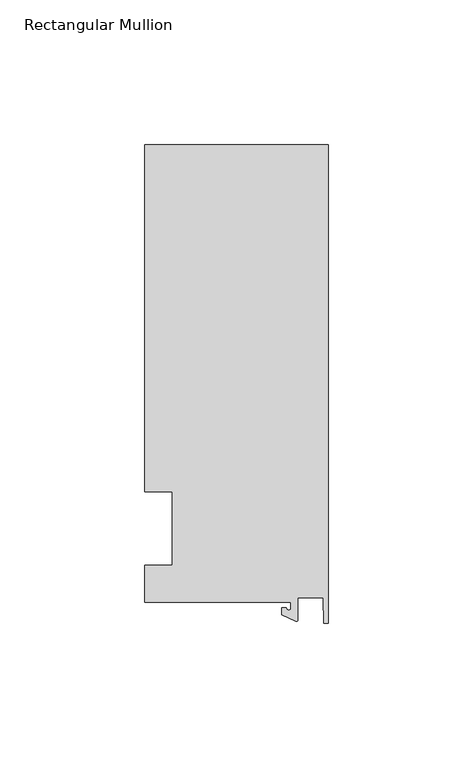
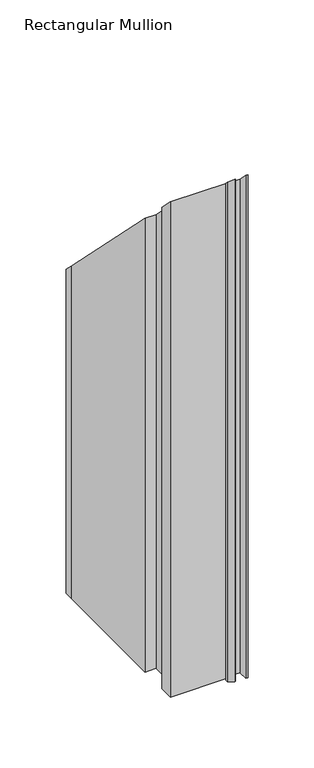
"""IFC4 building model written with IfcOpenShell, lengths in millimetres: member geometry, Rectangular Mullion."""

import ifcopenshell
import ifcopenshell.guid

model = None  # the IFC model being written
_history = None  # IfcOwnerHistory: only IFC2X3 demands one
_inside = {}  # id of a spatial element -> (the spatial element, [elements in it])
_under = {}  # id of a project, library or spatial element -> (it, [spatial elements below it])
_declared = {}  # id of a project -> (the project, [libraries it declares])
_typed = {}  # id of a type object -> (the type object, [elements of that type])
_made_of = {}  # id of a material, layer set ... -> (it, [elements and type objects made of it])


def new_model(schema):
    """Start an empty IFC model of exactly this schema.

    Asked for "IFC4X3", IfcOpenShell would pick the latest addendum, in which some entities
    have other attributes; the version numbers below select the first issue.
    IFC2X3 requires an IfcOwnerHistory on every rooted entity: one is made here for all.
    """
    global model, _history
    if schema == "IFC4X3":
        model = ifcopenshell.file(schema_version=(4, 3, 0, 0))
    else:
        model = ifcopenshell.file(schema=schema)
    _inside.clear()
    _under.clear()
    _declared.clear()
    _typed.clear()
    _made_of.clear()
    _history = None
    if model.schema == "IFC2X3":
        org = make("IfcOrganization", Name="unknown")
        user = make(
            "IfcPersonAndOrganization",
            ThePerson=make("IfcPerson", FamilyName="unknown"),
            TheOrganization=org,
        )
        app = make(
            "IfcApplication",
            ApplicationDeveloper=org,
            Version="unknown",
            ApplicationFullName="unknown",
            ApplicationIdentifier="unknown",
        )
        _history = make(
            "IfcOwnerHistory",
            OwningUser=user,
            OwningApplication=app,
            ChangeAction="ADDED",
            CreationDate=0,
        )
    return model


def make(cls, **values):
    """One entity of the class cls with the attributes given. An attribute that is None is left unset."""
    return model.create_entity(
        cls, **{name: value for name, value in values.items() if value is not None}
    )


def rooted(cls, **values):
    """An entity with a GlobalId (a new one), such as an element, a storey or a relation."""
    return make(cls, GlobalId=ifcopenshell.guid.new(), OwnerHistory=_history, **values)


def si_unit(unit_type, name, prefix=None):
    """IfcSIUnit, for example si_unit("LENGTHUNIT", "METRE", prefix="MILLI")."""
    return make("IfcSIUnit", UnitType=unit_type, Prefix=prefix, Name=name)


def assignment(units):
    """IfcUnitAssignment: the units of a project."""
    return None if units is None else make("IfcUnitAssignment", Units=units)


def point(xyz):
    """IfcCartesianPoint."""
    return None if xyz is None else make("IfcCartesianPoint", Coordinates=xyz)


def direction(xyz):
    """IfcDirection."""
    return None if xyz is None else make("IfcDirection", DirectionRatios=xyz)


def frame(location, z_axis=None, x_axis=None):
    """IfcAxis2Placement3D, a coordinate frame: its origin and axes. An axis left out is left unset."""
    return make(
        "IfcAxis2Placement3D",
        Location=point(location),
        Axis=direction(z_axis),
        RefDirection=direction(x_axis),
    )


def origin():
    """The frame at (0, 0, 0) with its axes left unset."""
    return frame((0.0, 0.0, 0.0))


def place(relative_to, where):
    """IfcLocalPlacement: puts the frame where relative to a parent placement (None: the world)."""
    return make(
        "IfcLocalPlacement", PlacementRelTo=relative_to, RelativePlacement=where
    )


def context(
    kind, dimensions, precision=None, world=None, true_north=None, identifier=None
):
    """IfcGeometricRepresentationContext, for example the 3D "Model" context."""
    return make(
        "IfcGeometricRepresentationContext",
        ContextIdentifier=identifier,
        ContextType=kind,
        CoordinateSpaceDimension=dimensions,
        Precision=precision,
        WorldCoordinateSystem=world,
        TrueNorth=true_north,
    )


def project(units=None, contexts=None):
    """IfcProject with its units and contexts."""
    return rooted(
        "IfcProject",
        Name="project",
        RepresentationContexts=contexts,
        UnitsInContext=assignment(units),
    )


def spatial(cls, under=None, at=None, **own):
    """A site, building, storey or space (cls), placed at a placement, below another one or the project."""
    s = rooted(cls, ObjectPlacement=at, **own)
    if under is not None:
        _under.setdefault(under.id(), (under, []))[1].append(s)
    return s


def polyline(points):
    """IfcPolyline through the points."""
    return make("IfcPolyline", Points=[point(p) for p in points])


def circle_curve(where, radius):
    """IfcCircle in the frame where."""
    return make("IfcCircle", Position=where, Radius=radius)


def ellipse_curve(where, semi_axis1, semi_axis2):
    """IfcEllipse in the frame where."""
    return make(
        "IfcEllipse", Position=where, SemiAxis1=semi_axis1, SemiAxis2=semi_axis2
    )


def shape(context_of_items, identifier, shape_type, items):
    """IfcShapeRepresentation: the items that make up one representation, for example the "Body"."""
    return make(
        "IfcShapeRepresentation",
        ContextOfItems=context_of_items,
        RepresentationIdentifier=identifier,
        RepresentationType=shape_type,
        Items=items,
    )


def source(mapping_origin, context_of_items, identifier, shape_type, items):
    """IfcRepresentationMap: a shape defined once, which mapped items show again and again."""
    return make(
        "IfcRepresentationMap",
        MappingOrigin=mapping_origin,
        MappedRepresentation=shape(context_of_items, identifier, shape_type, items),
    )


def transform(
    local_origin,
    x_axis=None,
    y_axis=None,
    z_axis=None,
    scale=None,
    scale2=None,
    scale3=None,
    uniform=True,
):
    """IfcCartesianTransformationOperator3D, or its non-uniform kind. x_axis, y_axis, z_axis: its Axis1, 2, 3."""
    if uniform:
        return make(
            "IfcCartesianTransformationOperator3D",
            Axis1=direction(x_axis),
            Axis2=direction(y_axis),
            LocalOrigin=point(local_origin),
            Scale=scale,
            Axis3=direction(z_axis),
        )
    return make(
        "IfcCartesianTransformationOperator3DnonUniform",
        Axis1=direction(x_axis),
        Axis2=direction(y_axis),
        LocalOrigin=point(local_origin),
        Scale=scale,
        Axis3=direction(z_axis),
        Scale2=scale2,
        Scale3=scale3,
    )


def mapped(mapping_source, mapping_target):
    """IfcMappedItem: shows the shape of a source again, moved by a transform."""
    return make(
        "IfcMappedItem", MappingSource=mapping_source, MappingTarget=mapping_target
    )


def made_of(thing, what):
    """Note that an element or type object is made of a material, layer set ...; save() writes the relation."""
    if what is not None:
        _made_of.setdefault(what.id(), (what, []))[1].append(thing)
    return thing


def element(
    cls,
    number,
    at=None,
    inside=None,
    cuts=None,
    type_object=None,
    material=None,
    context=None,
    identifier="Body",
    shape_type=None,
    held_by="IfcProductDefinitionShape",
    body=None,
    shapes=None,
    **own,
):
    """One element of the class cls, such as IfcWall. Its Tag is "e" and its number.

    at: its placement. inside: the storey or other place that contains it. cuts: it is an
    opening in that element (IfcRelVoidsElement). A single representation is given by context,
    identifier, shape_type and body (its items); several are given by shapes. held_by: the class
    of the entity that holds the representations. save() writes the other relations.
    """
    e = rooted(cls, Tag="e%d" % number, ObjectPlacement=at, **own)
    if body is not None:
        shapes = [shape(context, identifier, shape_type, body)]
    if shapes is not None:
        e.Representation = make(held_by, Representations=shapes)
    if inside is not None:
        _inside.setdefault(inside.id(), (inside, []))[1].append(e)
    if cuts is not None:
        rooted(
            "IfcRelVoidsElement", RelatingBuildingElement=cuts, RelatedOpeningElement=e
        )
    if type_object is not None:
        _typed.setdefault(type_object.id(), (type_object, []))[1].append(e)
    return made_of(e, material)


def aggregate(whole, parts):
    """IfcRelAggregates: a whole, such as a stair, and the parts it consists of."""
    return rooted("IfcRelAggregates", RelatingObject=whole, RelatedObjects=parts)


def save(model, path):
    """Write the relations noted so far, then the file.

    IfcRelAggregates (storeys below a building ...), IfcRelContainedInSpatialStructure (elements
    in a storey), IfcRelDefinesByType, IfcRelAssociatesMaterial and IfcRelDeclares: one each for
    every whole, place, type object, material and project.
    """
    for whole, parts in _under.values():
        aggregate(whole, parts)
    for where, things in _inside.values():
        rooted(
            "IfcRelContainedInSpatialStructure",
            RelatedElements=things,
            RelatingStructure=where,
        )
    for kind, things in _typed.values():
        rooted("IfcRelDefinesByType", RelatedObjects=things, RelatingType=kind)
    for what, things in _made_of.values():
        rooted("IfcRelAssociatesMaterial", RelatedObjects=things, RelatingMaterial=what)
    for by, libraries in _declared.values():
        rooted("IfcRelDeclares", RelatingContext=by, RelatedDefinitions=libraries)
    model.write(path)


def plane_surface(at):
    """IfcPlane: the flat surface through the origin of the frame at, square to its z axis."""
    return make("IfcPlane", Position=at)


def cylinder_surface(at, radius):
    """IfcCylindricalSurface: all points at the distance radius from the z axis of the frame at."""
    return make("IfcCylindricalSurface", Position=at, Radius=radius)


def revolved_surface(curve, axis_point, axis_direction):
    """IfcSurfaceOfRevolution: the curve turned about the line through axis_point along axis_direction."""
    return make(
        "IfcSurfaceOfRevolution",
        SweptCurve=make("IfcArbitraryOpenProfileDef", ProfileType="CURVE", Curve=curve),
        AxisPosition=make("IfcAxis1Placement", Location=point(axis_point), Axis=direction(axis_direction)),
    )


def advanced_brep(points, edges, surfaces, faces):
    """IfcAdvancedBrep: a solid bounded by faces that lie on surfaces and meet in shared edges.

    An edge is (start, end): straight between two places in points (the first is 0);
    or (start, end, curve); or (start, end, curve, False) where it runs against its curve.
    A face is (place in surfaces, loops), or (place, loops, False) where it looks against
    its surface's normal. A loop lists edges by number (the first is 1), with a minus sign
    where the edge is run from its end to its start. The first loop is the outer one.
    """
    corners = [point(p) for p in points]
    vertices = [make("IfcVertexPoint", VertexGeometry=c) for c in corners]
    made = []
    for start, end, *more in edges:
        made.append(
            make(
                "IfcEdgeCurve",
                EdgeStart=vertices[start],
                EdgeEnd=vertices[end],
                EdgeGeometry=more[0] if more else make("IfcPolyline", Points=[corners[start], corners[end]]),
                SameSense=more[1] if len(more) > 1 else True,
            )
        )
    hull = []
    for where, loops, *sense in faces:
        bounds = []
        for j, loop in enumerate(loops):
            ring = [make("IfcOrientedEdge", EdgeElement=made[abs(k) - 1], Orientation=k > 0) for k in loop]
            bounds.append(
                make(
                    "IfcFaceOuterBound" if j == 0 else "IfcFaceBound",
                    Bound=make("IfcEdgeLoop", EdgeList=ring),
                    Orientation=True,
                )
            )
        hull.append(make("IfcAdvancedFace", Bounds=bounds, FaceSurface=surfaces[where], SameSense=sense[0] if sense else True))
    return make("IfcAdvancedBrep", Outer=make("IfcClosedShell", CfsFaces=hull))


def rectangular_mullion_6de1f723(model_context):
    return source(origin(), model_context, "Body", "AdvancedBrep", [
        advanced_brep(
        [(-12.8216721, -25.5984375, -431.8), (-63.5, -25.5984375, -431.8), (-63.5, -12.7, -431.8), (-53.975, -12.7, -431.8), (-53.975, 12.7, -431.8), (-63.5, 12.7, -431.8), (-63.5, 125.075512, -431.8), (-63.5, 132.822512, -431.8), (0.0, 132.822512, -431.8), (0.0, -32.810012, -431.8), (-1.5566453, -32.810012, -431.8), (-1.7144124, -23.9227662, -431.8), (-10.4340721, -23.9227662, -431.8), (-10.4340721, -31.6795354, -431.8), (-11.1567622, -32.1399398, -431.8), (-15.9966721, -29.8830527, -431.8), (-15.9966721, -27.5208534, -431.8), (-14.4091721, -27.5208534, -431.8), (-12.8216721, -27.5208534, -431.8), (-12.8216721, -27.5208534, 27.5208534), (-12.8216721, -25.5984375, 25.5984375), (-14.4091721, -27.5208534, 27.5208534), (-15.9966721, -27.5208534, 27.5208534), (-15.9966721, -29.8830527, 29.8830527), (-11.1567622, -32.1399398, 32.1399398), (-10.4340721, -31.6795354, 31.6795354), (-10.4340721, -23.9227662, 23.9227662), (-1.7144124, -23.9227662, 23.9227662), (-1.5566453, -32.810012, 32.810012), (0.0, -32.810012, 32.810012), (0.0, 132.822512, -132.822512), (-63.5, 132.822512, -132.822512), (-63.5, 125.075512, -125.075512), (-63.5, 12.7, -12.7), (-53.975, 12.7, -12.7), (-53.975, -12.7, 12.7), (-63.5, -12.7, 12.7), (-63.5, -25.5984375, 25.5984375)],
        [
            (0, 1),
            (1, 2),
            (2, 3),
            (3, 4),
            (4, 5),
            (5, 6),
            (6, 7),
            (7, 8),
            (8, 9),
            (9, 10),
            (10, 11),
            (11, 12),
            (12, 13),
            (13, 14, circle_curve(frame((-10.9420721, -31.6795354, -431.8), z_axis=(0.0, 0.0, -1.0), x_axis=(-1.0, 0.0, 0.0)), 0.508)),
            (14, 15),
            (15, 16),
            (16, 17),
            (17, 18, circle_curve(frame((-13.6154221, -27.5208534, -431.8), z_axis=(0.0, 0.0, 1.0), x_axis=(-1.0, 0.0, 0.0)), 0.79375)),
            (18, 0),
            (19, 20),
            (20, 0),
            (18, 19),
            (21, 19, ellipse_curve(frame((-13.6154221, -27.5208534, 27.5208534), z_axis=(0.0, 0.7071067811865499, 0.7071067811865451), x_axis=(0.0, 0.7071067811865451, -0.7071067811865498)), 1.122532, 0.79375)),
            (17, 21),
            (22, 21),
            (16, 22),
            (23, 22),
            (15, 23),
            (24, 23),
            (14, 24),
            (25, 24, ellipse_curve(frame((-10.9420721, -31.6795354, 31.6795354), z_axis=(0.0, -0.7071067811865499, -0.7071067811865451), x_axis=(0.0, -0.7071067811865451, 0.7071067811865498)), 0.7184205, 0.508)),
            (13, 25),
            (26, 25),
            (12, 26),
            (27, 26),
            (11, 27),
            (28, 27),
            (10, 28),
            (29, 28),
            (9, 29),
            (30, 29),
            (8, 30),
            (31, 30),
            (7, 31),
            (32, 31),
            (6, 32),
            (33, 32),
            (5, 33),
            (34, 33),
            (4, 34),
            (35, 34),
            (3, 35),
            (36, 35),
            (2, 36),
            (37, 36),
            (1, 37),
            (20, 37),
        ],
        [
            plane_surface(frame((0.0, -147.2211591, -431.8), z_axis=(0.0, 0.0, -1.0), x_axis=(-1.0, 0.0, 0.0))),
            plane_surface(frame((-12.8216721, -25.5984375, 0.0), z_axis=(-1.0, 0.0, 0.0), x_axis=(0.0, 0.0, -1.0))),
            revolved_surface(polyline([(-14.4091721, -27.5208534, -431.8), (-14.4091721, -27.5208534, 28.3146033892989)]), (-13.6154221, -27.5208534, 0.0), (0.0, 0.0, -1.0)),
            plane_surface(frame((-14.4091721, -27.5208534, 0.0), z_axis=(0.0, 1.0, 0.0), x_axis=(0.0, 0.0, -1.0))),
            plane_surface(frame((-15.9966721, -27.5208534, 0.0), z_axis=(-1.0, 0.0, 0.0), x_axis=(0.0, 0.0, -1.0))),
            plane_surface(frame((-15.9966721, -29.8830527, 0.0), z_axis=(-0.4226182617406985, -0.9063077870366505, 0.0), x_axis=(0.0, 0.0, -1.0))),
            cylinder_surface(frame((-10.9420721, -31.6795354, 0.0), z_axis=(0.0, 0.0, 1.0), x_axis=(-1.0, 0.0, 0.0)), 0.508),
            plane_surface(frame((-10.4340721, -31.6795354, 0.0), z_axis=(1.0, 0.0, 0.0), x_axis=(0.0, 0.0, -1.0))),
            plane_surface(frame((-10.4340721, -23.9227662, 0.0), z_axis=(0.0, -1.0, 0.0), x_axis=(0.0, 0.0, -1.0))),
            plane_surface(frame((-1.7144124, -23.9227662, 0.0), z_axis=(-0.9998424690407919, -0.017749284560600327, 0.0), x_axis=(0.0, 0.0, -1.0))),
            plane_surface(frame((-1.5566453, -32.810012, 0.0), z_axis=(0.0, -1.0, 0.0), x_axis=(0.0, 0.0, -1.0))),
            plane_surface(frame((0.0, -32.810012, 0.0), z_axis=(1.0, 0.0, 0.0), x_axis=(0.0, 0.0, -1.0))),
            plane_surface(frame((0.0, 132.822512, 0.0), z_axis=(0.0, 1.0, 0.0), x_axis=(0.0, 0.0, -1.0))),
            plane_surface(frame((-63.5, 132.822512, 0.0), z_axis=(-1.0, 0.0, 0.0), x_axis=(0.0, 0.0, -1.0))),
            plane_surface(frame((-63.5, 125.075512, 0.0), z_axis=(-1.0, 0.0, 0.0), x_axis=(0.0, 0.0, -1.0))),
            plane_surface(frame((-63.5, 12.7, 0.0), z_axis=(0.0, -1.0, 0.0), x_axis=(0.0, 0.0, -1.0))),
            plane_surface(frame((-53.975, 12.7, 0.0), z_axis=(-1.0, 0.0, 0.0), x_axis=(0.0, 0.0, -1.0))),
            plane_surface(frame((-53.975, -12.7, 0.0), z_axis=(0.0, 1.0, 0.0), x_axis=(0.0, 0.0, -1.0))),
            plane_surface(frame((-63.5, -12.7, 0.0), z_axis=(-1.0, 0.0, 0.0), x_axis=(0.0, 0.0, -1.0))),
            plane_surface(frame((-63.5, -25.5984375, 0.0), z_axis=(0.0, -1.0, 0.0), x_axis=(0.0, 0.0, -1.0))),
            plane_surface(frame((-304.8, 0.0, 0.0), z_axis=(0.0, 0.7071067811865499, 0.7071067811865451), x_axis=(0.0, 0.7071067811865451, -0.7071067811865499))),
        ],
        [
            (0, [[1, 2, 3, 4, 5, 6, 7, 8, 9, 10, 11, 12, 13, 14, 15, 16, 17, 18, 19]]),
            (1, [[20, 21, -19, 22]]),
            (2, [[23, -22, -18, 24]]),
            (3, [[25, -24, -17, 26]]),
            (4, [[27, -26, -16, 28]]),
            (5, [[29, -28, -15, 30]]),
            (6, [[31, -30, -14, 32]]),
            (7, [[33, -32, -13, 34]]),
            (8, [[35, -34, -12, 36]]),
            (9, [[37, -36, -11, 38]]),
            (10, [[39, -38, -10, 40]]),
            (11, [[41, -40, -9, 42]]),
            (12, [[43, -42, -8, 44]]),
            (13, [[45, -44, -7, 46]]),
            (14, [[47, -46, -6, 48]]),
            (15, [[49, -48, -5, 50]]),
            (16, [[51, -50, -4, 52]]),
            (17, [[53, -52, -3, 54]]),
            (18, [[55, -54, -2, 56]]),
            (19, [[57, -56, -1, -21]]),
            (20, [[-20, -23, -25, -27, -29, -31, -33, -35, -37, -39, -41, -43, -45, -47, -49, -51, -53, -55, -57]]),
        ],
    ),
    ])


if __name__ == "__main__":
    model = new_model("IFC4")
    model_context = context("Model", 3, world=origin())
    ifc_project = project(units=[si_unit("LENGTHUNIT", "METRE", prefix="MILLI")], contexts=[model_context])
    site = spatial("IfcSite", under=ifc_project)
    building = spatial("IfcBuilding", under=site)
    placement = place(None, origin())
    rectangular_mullion_shape = rectangular_mullion_6de1f723(model_context)
    element("IfcMember", 1, ObjectType="Rectangular Mullion", at=placement, inside=building, context=model_context, shape_type="MappedRepresentation", body=[
        mapped(rectangular_mullion_shape, transform((0.0, 0.0, 0.0), x_axis=(1.0, 0.0, 0.0), y_axis=(0.0, 1.0, 0.0), z_axis=(0.0, 0.0, 1.0))),
    ])
    save(model, "model.ifc")
